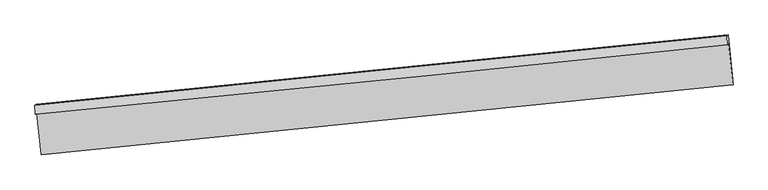
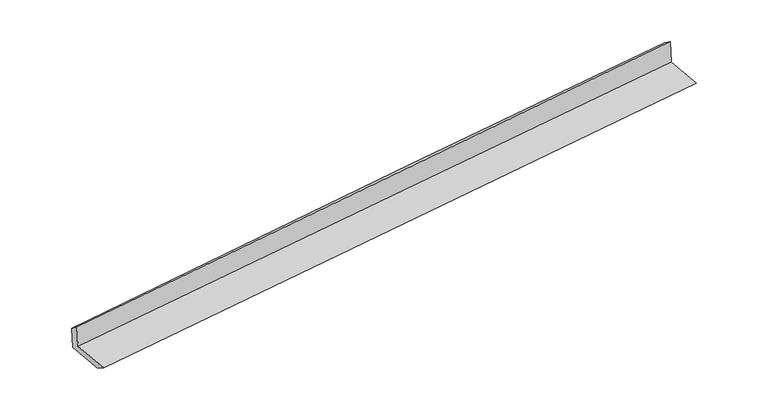
"""IFC4 building model written with IfcOpenShell, lengths in millimetres: proxy geometry."""

from ifc_helpers import new_model, si_unit, frame, origin, place, context, project, spatial, source, transform, mapped, element, save
from ifc_brep_helpers import plane_surface, spline_curve, spline_surface, advanced_brep


def generic_models_272c93f2(model_context):
    return source(origin(), model_context, "Body", "AdvancedBrep", [
        advanced_brep(
        [(-5925.4241972, -2089.7957677, 1492.9000726), (-5853.9158116, -2765.2374591, 1470.7442781), (5419.1179215, -1626.7977925, 2228.0856058), (5348.6617833, -961.2952401, 2249.9153772), (-5950.5910043, -2105.3440825, 1885.6795938), (5322.8560496, -977.2382905, 2652.6666564), (-5957.9232142, -1956.9406881, 1767.6431994), (5314.2459864, -829.6243671, 2554.5737779), (-5933.8057496, -1942.0406679, 1391.2408145), (5340.280231, -813.5401404, 2148.2561192), (-5864.0884284, -2600.5646293, 1369.6399543), (5408.9453047, -1462.1249627, 2126.981282)],
        [
            (0, 1),
            (1, 2, spline_curve(3, [(-5853.9158116, -2765.2374591, 1470.7442781), (-3704.818128774, -2550.574777278, 1619.496684138), (-1555.688587699, -2334.553322648, 1765.750485955), (2202.003334613, -1954.475805625, 2017.098636053), (3810.55170535, -1791.017371591, 2123.291943711), (5419.1179215, -1626.7977925, 2228.0856058)], [4, 2, 4], [0.0, 21.308167897802328, 37.25617372005165])),
            (2, 3),
            (3, 0, spline_curve(3, [(5348.6617833, -961.2952401, 2249.9153772), (3740.207941052, -1126.576260514, 2145.086897957), (2131.659570414, -1290.034694448, 2038.893590399), (-1626.294868832, -1667.632575913, 1787.626776737), (-3775.775158427, -1880.340984652, 1641.481649635), (-5925.4241972, -2089.7957677, 1492.9000726)], [4, 2, 4], [0.0, 15.948005822249321, 37.25617372005165])),
            (4, 0),
            (3, 5),
            (5, 4, spline_curve(3, [(5322.8560496, -977.2382905, 2652.6666564), (3714.706349593, -1142.331408523, 2543.091409426), (2106.370955066, -1305.658264012, 2433.574182419), (-1651.298927646, -1683.08034288, 2177.866272765), (-3800.779217265, -1895.788751949, 2031.721145283), (-5950.5910043, -2105.3440825, 1885.6795938)], [4, 2, 4], [0.0, 15.948024790988828, 37.2562180329684])),
            (6, 4),
            (5, 7),
            (7, 6, spline_curve(3, [(5314.2459864, -829.6243671, 2554.5737779), (3705.346553917, -989.00911457, 2447.318391221), (2096.660409617, -1149.02292317, 2337.909838901), (-1660.896791785, -1524.301110559, 2077.290246086), (-3809.600380833, -1740.059408293, 1924.38860603), (-5957.9232142, -1956.9406881, 1767.6431994)], [4, 2, 4], [0.0, 15.948018466511982, 37.25620325834324])),
            (8, 6),
            (7, 9),
            (9, 8, spline_curve(3, [(5340.280231, -813.5401404, 2148.2561192), (3731.213122719, -973.028479292, 2043.617651168), (2122.31400344, -1133.173866725, 1937.533017738), (-1635.846556718, -1508.824814855, 1686.330067415), (-3784.976097317, -1724.846269759, 1540.076266038), (-5933.8057496, -1942.0406679, 1391.2408145)], [4, 2, 4], [0.0, 15.948024899085173, 37.25621828549252])),
            (10, 8),
            (9, 11),
            (11, 10, spline_curve(3, [(5408.9453047, -1462.1249627, 2126.981282), (3800.379088434, -1626.344541681, 2022.187619955), (2191.83071795, -1789.802976025, 1915.994312299), (-1565.861204683, -2169.880492347, 1664.646162327), (-3714.990745354, -2385.901947741, 1518.39236095), (-5864.0884284, -2600.5646293, 1369.6399543)], [4, 2, 4], [0.0, 15.947996673808955, 37.256152348358704])),
            (1, 10),
            (11, 2),
        ],
        [
            spline_surface(3, 3, [[(-5925.4241972, -2089.7957677, 1492.9000726), (-3775.77515878, -1880.340984696, 1641.481649748), (-1626.294869038, -1667.63257605, 1787.626776928), (2131.659570568, -1290.034694345, 2038.893590255), (3740.207940947, -1126.576260442, 2145.086897896), (5348.6617833, -961.2952401, 2249.9153772)], [(-5901.588068673, -2314.942998187, 1485.514807778), (-3752.122815387, -2103.75224896, 1634.153327978), (-1602.759442026, -1889.939491535, 1780.334679935), (2155.107492021, -1511.515064776, 2031.628605539), (3763.655862401, -1348.056630874, 2137.82191318), (5372.147162684, -1183.129424249, 2242.638786709)], [(-5877.751940127, -2540.090228613, 1478.129542921), (-3728.470471976, -2327.163513163, 1626.825006172), (-1579.224015065, -2112.246407073, 1773.042582914), (2178.555413424, -1732.995435261, 2024.363620795), (3787.103783903, -1569.537001259, 2130.556928536), (5395.632542116, -1404.963608351, 2235.362196291)], [(-5853.9158116, -2765.2374591, 1470.7442781), (-3704.818128583, -2550.574777427, 1619.496684402), (-1555.688588053, -2334.553322557, 1765.750485921), (2202.003334878, -1954.475805693, 2017.098636079), (3810.551705357, -1791.01737169, 2123.291943819), (5419.1179215, -1626.7977925, 2228.0856058)]], [4, 4], [4, 2, 4], [0.0, 2.1988404001354636], [0.0, 21.308167897802328, 37.25617372005165]),
            spline_surface(3, 3, [[(-5950.5910043, -2105.3440825, 1885.6795938), (-3800.77921725, -1895.788751702, 2031.721145557), (-1651.298927508, -1683.080343156, 2177.866272737), (2106.370954962, -1305.658263805, 2433.57418244), (3714.706349849, -1142.331408383, 2543.091409448), (5322.8560496, -977.2382905, 2652.6666564)], [(-5942.202068606, -2100.161310881, 1754.753086735), (-3792.444531099, -1890.639496014, 1901.641313622), (-1642.964241356, -1677.931087469, 2047.786440802), (2114.800493492, -1300.450407333, 2302.013985047), (3723.206880231, -1137.079692408, 2410.42323895), (5331.457960849, -971.923940371, 2518.416230019)], [(-5933.813132894, -2094.978539319, 1623.826579665), (-3784.109844931, -1885.490240384, 1771.561481683), (-1634.629555189, -1672.781831738, 1917.706608863), (2123.230032038, -1295.242550817, 2170.453787649), (3731.707410566, -1131.827976418, 2277.755068395), (5340.059872051, -966.609590229, 2384.165803581)], [(-5925.4241972, -2089.7957677, 1492.9000726), (-3775.77515878, -1880.340984696, 1641.481649748), (-1626.294869038, -1667.63257605, 1787.626776928), (2131.659570568, -1290.034694345, 2038.893590255), (3740.207940947, -1126.576260442, 2145.086897896), (5348.6617833, -961.2952401, 2249.9153772)]], [4, 4], [4, 2, 4], [0.0, 1.2895396884205288], [0.0, 21.30819324197957, 37.2562180329684]),
            spline_surface(3, 3, [[(-5957.9232142, -1956.9406881, 1767.6431994), (-3809.600381166, -1740.059408139, 1924.388606117), (-1660.89679172, -1524.301110231, 2077.290246271), (2096.660409568, -1149.022923415, 2337.909838762), (3705.346553667, -989.009114317, 2447.318391432), (5314.2459864, -829.6243671, 2554.5737779)], [(-5955.479144232, -2006.408486238, 1806.988664195), (-3806.659993193, -1791.969189332, 1960.166119259), (-1657.697503662, -1577.227521196, 2110.815588425), (2099.897258019, -1201.234703535, 2369.797953321), (3708.466485738, -1040.116545658, 2479.242730767), (5317.116007476, -878.829008218, 2587.271404063)], [(-5953.035074268, -2055.876284362, 1846.334129005), (-3803.719605223, -1843.87897051, 1995.943632415), (-1654.498215565, -1630.153932191, 2144.340930582), (2103.13410651, -1253.446483685, 2401.686067882), (3711.586417779, -1091.223977043, 2511.167070113), (5319.986028524, -928.033649382, 2619.969030237)], [(-5950.5910043, -2105.3440825, 1885.6795938), (-3800.77921725, -1895.788751702, 2031.721145557), (-1651.298927508, -1683.080343156, 2177.866272737), (2106.370954962, -1305.658263805, 2433.57418244), (3714.706349849, -1142.331408383, 2543.091409448), (5322.8560496, -977.2382905, 2652.6666564)]], [4, 4], [4, 2, 4], [0.0, 0.6120408998024871], [0.0, 21.30818479183126, 37.25620325834324]),
            spline_surface(3, 3, [[(-5933.8057496, -1942.0406679, 1391.2408145), (-3784.976097076, -1724.846269593, 1540.076266006), (-1635.846556446, -1508.824814724, 1686.330067525), (2122.314003237, -1133.173866824, 1937.533017656), (3731.213122828, -973.028479245, 2043.617651058), (5340.280231, -813.5401404, 2148.2561192)], [(-5941.844904473, -1947.007341294, 1516.708276121), (-3793.184191779, -1729.917315769, 1668.180379364), (-1644.196634852, -1513.983579906, 1816.650127093), (2113.762805366, -1138.456885701, 2070.991958011), (3722.590933106, -978.355357626, 2178.184564518), (5331.602149464, -818.901549323, 2283.695338769)], [(-5949.884059327, -1951.974014706, 1642.175737779), (-3801.392286463, -1734.988361963, 1796.28449276), (-1652.546713314, -1519.142345048, 1946.970186703), (2105.211607439, -1143.739904538, 2204.450898407), (3713.96874339, -983.682235937, 2312.751477972), (5322.924067936, -824.262958177, 2419.134558331)], [(-5957.9232142, -1956.9406881, 1767.6431994), (-3809.600381166, -1740.059408139, 1924.388606117), (-1660.89679172, -1524.301110231, 2077.290246271), (2096.660409568, -1149.022923415, 2337.909838762), (3705.346553667, -989.009114317, 2447.318391432), (5314.2459864, -829.6243671, 2554.5737779)]], [4, 4], [4, 2, 4], [0.0, 1.2971470000535075], [0.0, 21.30819338640735, 37.25621828549252]),
            spline_surface(3, 3, [[(-5864.0884284, -2600.5646293, 1369.6399543), (-3714.990745383, -2385.901947627, 1518.392360602), (-1565.861204853, -2169.880492657, 1664.646162221), (2191.830718078, -1789.802975793, 1915.994312379), (3800.379088557, -1626.34454189, 2022.187620019), (5408.9453047, -1462.1249627, 2126.981282)], [(-5887.32753546, -2381.056642188, 1376.840241027), (-3738.319195941, -2165.55005497, 1525.620329064), (-1589.189655411, -1949.528600001, 1671.874130682), (2168.658479771, -1570.926606125, 1923.173880831), (3777.323766631, -1408.572521002, 2029.330963695), (5386.056946784, -1245.930021926, 2134.072894396)], [(-5910.56664254, -2161.548655012, 1384.040527773), (-3761.647646518, -1945.198162249, 1532.848297545), (-1612.518105888, -1729.17670738, 1679.102099063), (2145.486241544, -1352.050236492, 1930.353449203), (3754.268444754, -1190.800500134, 2036.474307382), (5363.168588916, -1029.735081174, 2141.164506804)], [(-5933.8057496, -1942.0406679, 1391.2408145), (-3784.976097076, -1724.846269593, 1540.076266006), (-1635.846556446, -1508.824814724, 1686.330067525), (2122.314003237, -1133.173866824, 1937.533017656), (3731.213122828, -973.028479245, 2043.617651058), (5340.280231, -813.5401404, 2148.2561192)]], [4, 4], [4, 2, 4], [0.0, 2.176498032765359], [0.0, 21.30815567454975, 37.256152348358704]),
            spline_surface(3, 3, [[(-5853.9158116, -2765.2374591, 1470.7442781), (-3704.818128583, -2550.574777427, 1619.496684402), (-1555.688588053, -2334.553322557, 1765.750485921), (2202.003334878, -1954.475805693, 2017.098636079), (3810.551705357, -1791.01737169, 2123.291943819), (5419.1179215, -1626.7977925, 2228.0856058)], [(-5857.306683857, -2710.346515812, 1437.042836844), (-3708.20900084, -2495.683834138, 1585.795243146), (-1559.07946031, -2279.662379269, 1732.049044664), (2198.612462621, -1899.584862404, 1983.397194823), (3807.1608331, -1736.126428402, 2089.590502563), (5415.727049243, -1571.906849212, 2194.384164544)], [(-5860.697556143, -2655.455572588, 1403.341395556), (-3711.599873126, -2440.792890915, 1552.093801858), (-1562.470332597, -2224.771435946, 1698.347603477), (2195.221590334, -1844.693919081, 1949.695753635), (3803.769960813, -1681.235485179, 2055.889061276), (5412.336176957, -1517.015905988, 2160.682723256)], [(-5864.0884284, -2600.5646293, 1369.6399543), (-3714.990745383, -2385.901947627, 1518.392360602), (-1565.861204853, -2169.880492657, 1664.646162221), (2191.830718078, -1789.802975793, 1915.994312379), (3800.379088557, -1626.34454189, 2022.187620019), (5408.9453047, -1462.1249627, 2126.981282)]], [4, 4], [4, 2, 4], [0.0, 0.6348463965951815], [0.0, 21.308131571454684, 37.256110205406706]),
            plane_surface(frame((5359.0178794, -1111.7701322, 2326.7464697), z_axis=(0.992393813275423, 0.10284451907213946, 0.06765740365610703), x_axis=(-0.06389266624875828, -0.039473552945434226, 0.9971757948413554))),
            plane_surface(frame((-5914.2914009, -2243.3205491, 1562.9746521), z_axis=(-0.9923938132754386, -0.10284451907202004, -0.06765740365606004), x_axis=(-0.10522474315608656, 0.9939139014596332, 0.032602299198465905))),
        ],
        [
            (0, [[1, 2, 3, 4]]),
            (1, [[5, -4, 6, 7]]),
            (2, [[8, -7, 9, 10]]),
            (3, [[11, -10, 12, 13]]),
            (4, [[14, -13, 15, 16]]),
            (5, [[17, -16, 18, -2]]),
            (6, [[-12, -9, -6, -3, -18, -15]]),
            (7, [[-1, -5, -8, -11, -14, -17]]),
        ],
    ),
    ])


if __name__ == "__main__":
    model = new_model("IFC4")
    model_context = context("Model", 3, world=origin())
    ifc_project = project(units=[si_unit("LENGTHUNIT", "METRE", prefix="MILLI")], contexts=[model_context])
    site = spatial("IfcSite", under=ifc_project)
    building = spatial("IfcBuilding", under=site)
    placement = place(None, origin())
    generic_models_shape = generic_models_272c93f2(model_context)
    element("IfcBuildingElementProxy", 1, Name="Generic Models", at=placement, inside=building, context=model_context, shape_type="MappedRepresentation", body=[
        mapped(generic_models_shape, transform((0.0, 0.0, 0.0), x_axis=(1.0, 0.0, 0.0), y_axis=(0.0, 1.0, 0.0), z_axis=(0.0, 0.0, 1.0))),
    ])
    save(model, "model.ifc")
